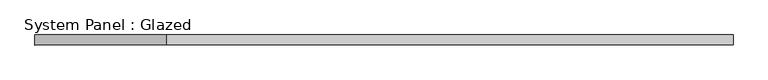
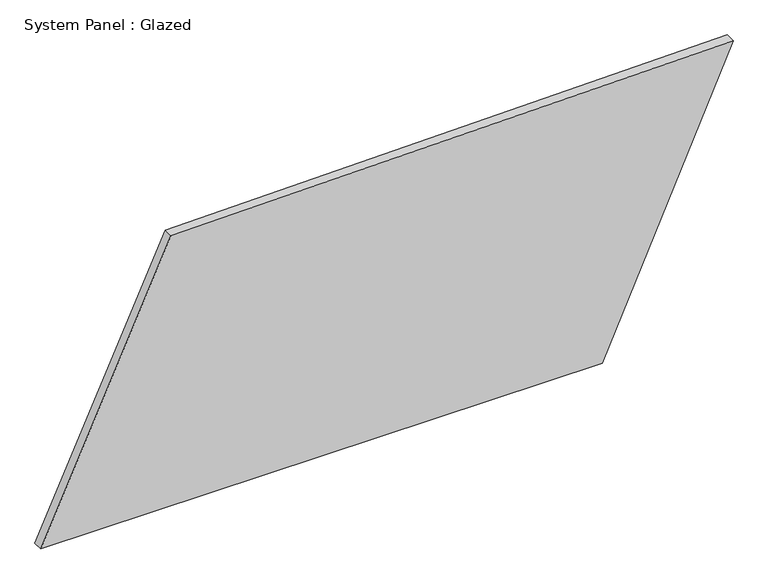
"""IFC4 building model written with IfcOpenShell, lengths in millimetres: plate geometry, System Panel : Glazed."""

from ifc_helpers import new_model, si_unit, frame, origin, place, context, project, spatial, polyline, outline, extrude, source, transform, mapped, element, save


def system_panel_glazed_6895a7ed(model_context):
    return source(origin(), model_context, "Body", "SweptSolid", [
        extrude(outline(polyline([(0.0, -868.11315), (0.0, 539.444793), (739.7737478, 868.11315), (716.2099134, -541.8515158), (0.0, -868.11315)])), frame((0.0, -49.5, 0.0), z_axis=(0.0, 1.0, 0.0), x_axis=(0.0, 0.0, 1.0)), (0.0, 0.0, 1.0), 25.0),
    ])


if __name__ == "__main__":
    model = new_model("IFC4")
    model_context = context("Model", 3, world=origin())
    ifc_project = project(units=[si_unit("LENGTHUNIT", "METRE", prefix="MILLI")], contexts=[model_context])
    site = spatial("IfcSite", under=ifc_project)
    building = spatial("IfcBuilding", under=site)
    placement = place(None, origin())
    system_panel_glazed_shape = system_panel_glazed_6895a7ed(model_context)
    element("IfcPlate", 1, ObjectType="System Panel : Glazed", at=placement, inside=building, context=model_context, shape_type="MappedRepresentation", body=[
        mapped(system_panel_glazed_shape, transform((0.0, 0.0, 0.0), x_axis=(1.0, 0.0, 0.0), y_axis=(0.0, 1.0, 0.0), z_axis=(0.0, 0.0, 1.0))),
    ])
    save(model, "model.ifc")
